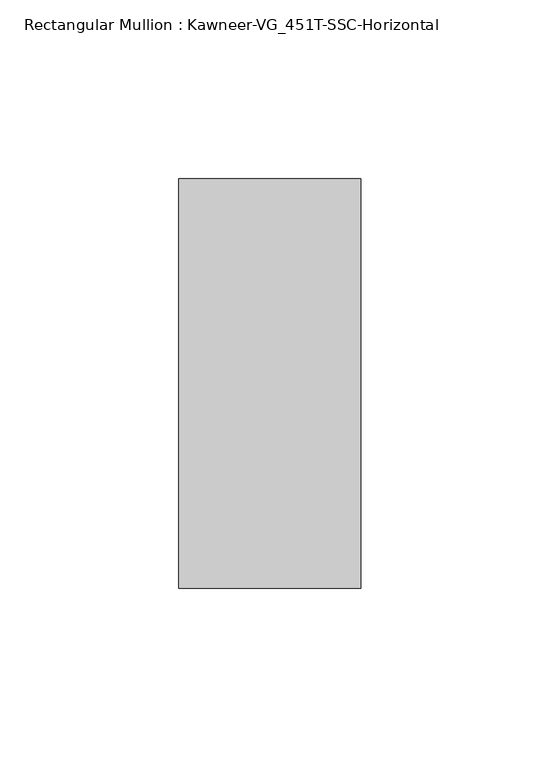
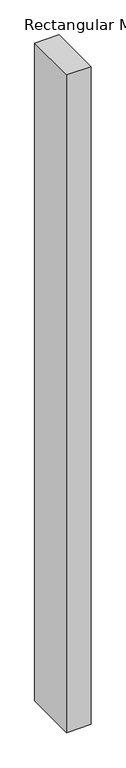
"""IFC4 building model written with IfcOpenShell, lengths in millimetres: member geometry, Rectangular Mullion : Kawneer-VG_451T-SSC-Horizontal."""

import ifcopenshell
import ifcopenshell.guid

model = None  # the IFC model being written
_history = None  # IfcOwnerHistory: only IFC2X3 demands one
_inside = {}  # id of a spatial element -> (the spatial element, [elements in it])
_under = {}  # id of a project, library or spatial element -> (it, [spatial elements below it])
_declared = {}  # id of a project -> (the project, [libraries it declares])
_typed = {}  # id of a type object -> (the type object, [elements of that type])
_made_of = {}  # id of a material, layer set ... -> (it, [elements and type objects made of it])


def new_model(schema):
    """Start an empty IFC model of exactly this schema.

    Asked for "IFC4X3", IfcOpenShell would pick the latest addendum, in which some entities
    have other attributes; the version numbers below select the first issue.
    IFC2X3 requires an IfcOwnerHistory on every rooted entity: one is made here for all.
    """
    global model, _history
    if schema == "IFC4X3":
        model = ifcopenshell.file(schema_version=(4, 3, 0, 0))
    else:
        model = ifcopenshell.file(schema=schema)
    _inside.clear()
    _under.clear()
    _declared.clear()
    _typed.clear()
    _made_of.clear()
    _history = None
    if model.schema == "IFC2X3":
        org = make("IfcOrganization", Name="unknown")
        user = make(
            "IfcPersonAndOrganization",
            ThePerson=make("IfcPerson", FamilyName="unknown"),
            TheOrganization=org,
        )
        app = make(
            "IfcApplication",
            ApplicationDeveloper=org,
            Version="unknown",
            ApplicationFullName="unknown",
            ApplicationIdentifier="unknown",
        )
        _history = make(
            "IfcOwnerHistory",
            OwningUser=user,
            OwningApplication=app,
            ChangeAction="ADDED",
            CreationDate=0,
        )
    return model


def make(cls, **values):
    """One entity of the class cls with the attributes given. An attribute that is None is left unset."""
    return model.create_entity(
        cls, **{name: value for name, value in values.items() if value is not None}
    )


def rooted(cls, **values):
    """An entity with a GlobalId (a new one), such as an element, a storey or a relation."""
    return make(cls, GlobalId=ifcopenshell.guid.new(), OwnerHistory=_history, **values)


def si_unit(unit_type, name, prefix=None):
    """IfcSIUnit, for example si_unit("LENGTHUNIT", "METRE", prefix="MILLI")."""
    return make("IfcSIUnit", UnitType=unit_type, Prefix=prefix, Name=name)


def assignment(units):
    """IfcUnitAssignment: the units of a project."""
    return None if units is None else make("IfcUnitAssignment", Units=units)


def point(xyz):
    """IfcCartesianPoint."""
    return None if xyz is None else make("IfcCartesianPoint", Coordinates=xyz)


def direction(xyz):
    """IfcDirection."""
    return None if xyz is None else make("IfcDirection", DirectionRatios=xyz)


def frame(location, z_axis=None, x_axis=None):
    """IfcAxis2Placement3D, a coordinate frame: its origin and axes. An axis left out is left unset."""
    return make(
        "IfcAxis2Placement3D",
        Location=point(location),
        Axis=direction(z_axis),
        RefDirection=direction(x_axis),
    )


def origin():
    """The frame at (0, 0, 0) with its axes left unset."""
    return frame((0.0, 0.0, 0.0))


def place(relative_to, where):
    """IfcLocalPlacement: puts the frame where relative to a parent placement (None: the world)."""
    return make(
        "IfcLocalPlacement", PlacementRelTo=relative_to, RelativePlacement=where
    )


def context(
    kind, dimensions, precision=None, world=None, true_north=None, identifier=None
):
    """IfcGeometricRepresentationContext, for example the 3D "Model" context."""
    return make(
        "IfcGeometricRepresentationContext",
        ContextIdentifier=identifier,
        ContextType=kind,
        CoordinateSpaceDimension=dimensions,
        Precision=precision,
        WorldCoordinateSystem=world,
        TrueNorth=true_north,
    )


def project(units=None, contexts=None):
    """IfcProject with its units and contexts."""
    return rooted(
        "IfcProject",
        Name="project",
        RepresentationContexts=contexts,
        UnitsInContext=assignment(units),
    )


def spatial(cls, under=None, at=None, **own):
    """A site, building, storey or space (cls), placed at a placement, below another one or the project."""
    s = rooted(cls, ObjectPlacement=at, **own)
    if under is not None:
        _under.setdefault(under.id(), (under, []))[1].append(s)
    return s


def polyline(points):
    """IfcPolyline through the points."""
    return make("IfcPolyline", Points=[point(p) for p in points])


def outline(outer, holes=None, kind="AREA"):
    """IfcArbitraryClosedProfileDef: a profile drawn as a closed curve; with holes, ...WithVoids."""
    if holes is None:
        return make("IfcArbitraryClosedProfileDef", ProfileType=kind, OuterCurve=outer)
    return make(
        "IfcArbitraryProfileDefWithVoids",
        ProfileType=kind,
        OuterCurve=outer,
        InnerCurves=holes,
    )


def extrude(swept, where, along, depth):
    """IfcExtrudedAreaSolid: the profile swept, set in the frame where, extruded along a direction by depth."""
    return make(
        "IfcExtrudedAreaSolid",
        SweptArea=swept,
        Position=where,
        ExtrudedDirection=direction(along),
        Depth=depth,
    )


def shape(context_of_items, identifier, shape_type, items):
    """IfcShapeRepresentation: the items that make up one representation, for example the "Body"."""
    return make(
        "IfcShapeRepresentation",
        ContextOfItems=context_of_items,
        RepresentationIdentifier=identifier,
        RepresentationType=shape_type,
        Items=items,
    )


def source(mapping_origin, context_of_items, identifier, shape_type, items):
    """IfcRepresentationMap: a shape defined once, which mapped items show again and again."""
    return make(
        "IfcRepresentationMap",
        MappingOrigin=mapping_origin,
        MappedRepresentation=shape(context_of_items, identifier, shape_type, items),
    )


def transform(
    local_origin,
    x_axis=None,
    y_axis=None,
    z_axis=None,
    scale=None,
    scale2=None,
    scale3=None,
    uniform=True,
):
    """IfcCartesianTransformationOperator3D, or its non-uniform kind. x_axis, y_axis, z_axis: its Axis1, 2, 3."""
    if uniform:
        return make(
            "IfcCartesianTransformationOperator3D",
            Axis1=direction(x_axis),
            Axis2=direction(y_axis),
            LocalOrigin=point(local_origin),
            Scale=scale,
            Axis3=direction(z_axis),
        )
    return make(
        "IfcCartesianTransformationOperator3DnonUniform",
        Axis1=direction(x_axis),
        Axis2=direction(y_axis),
        LocalOrigin=point(local_origin),
        Scale=scale,
        Axis3=direction(z_axis),
        Scale2=scale2,
        Scale3=scale3,
    )


def mapped(mapping_source, mapping_target):
    """IfcMappedItem: shows the shape of a source again, moved by a transform."""
    return make(
        "IfcMappedItem", MappingSource=mapping_source, MappingTarget=mapping_target
    )


def made_of(thing, what):
    """Note that an element or type object is made of a material, layer set ...; save() writes the relation."""
    if what is not None:
        _made_of.setdefault(what.id(), (what, []))[1].append(thing)
    return thing


def element(
    cls,
    number,
    at=None,
    inside=None,
    cuts=None,
    type_object=None,
    material=None,
    context=None,
    identifier="Body",
    shape_type=None,
    held_by="IfcProductDefinitionShape",
    body=None,
    shapes=None,
    **own,
):
    """One element of the class cls, such as IfcWall. Its Tag is "e" and its number.

    at: its placement. inside: the storey or other place that contains it. cuts: it is an
    opening in that element (IfcRelVoidsElement). A single representation is given by context,
    identifier, shape_type and body (its items); several are given by shapes. held_by: the class
    of the entity that holds the representations. save() writes the other relations.
    """
    e = rooted(cls, Tag="e%d" % number, ObjectPlacement=at, **own)
    if body is not None:
        shapes = [shape(context, identifier, shape_type, body)]
    if shapes is not None:
        e.Representation = make(held_by, Representations=shapes)
    if inside is not None:
        _inside.setdefault(inside.id(), (inside, []))[1].append(e)
    if cuts is not None:
        rooted(
            "IfcRelVoidsElement", RelatingBuildingElement=cuts, RelatedOpeningElement=e
        )
    if type_object is not None:
        _typed.setdefault(type_object.id(), (type_object, []))[1].append(e)
    return made_of(e, material)


def aggregate(whole, parts):
    """IfcRelAggregates: a whole, such as a stair, and the parts it consists of."""
    return rooted("IfcRelAggregates", RelatingObject=whole, RelatedObjects=parts)


def save(model, path):
    """Write the relations noted so far, then the file.

    IfcRelAggregates (storeys below a building ...), IfcRelContainedInSpatialStructure (elements
    in a storey), IfcRelDefinesByType, IfcRelAssociatesMaterial and IfcRelDeclares: one each for
    every whole, place, type object, material and project.
    """
    for whole, parts in _under.values():
        aggregate(whole, parts)
    for where, things in _inside.values():
        rooted(
            "IfcRelContainedInSpatialStructure",
            RelatedElements=things,
            RelatingStructure=where,
        )
    for kind, things in _typed.values():
        rooted("IfcRelDefinesByType", RelatedObjects=things, RelatingType=kind)
    for what, things in _made_of.values():
        rooted("IfcRelAssociatesMaterial", RelatedObjects=things, RelatingMaterial=what)
    for by, libraries in _declared.values():
        rooted("IfcRelDeclares", RelatingContext=by, RelatedDefinitions=libraries)
    model.write(path)


def rectangular_mullion_kawneer_vg_451t_ssc_horizontal_7eaaeb3d(model_context):
    return source(origin(), model_context, "Body", "SweptSolid", [
        extrude(outline(polyline([(25.4, 57.15), (25.4, -57.15), (-25.4, -57.15), (-25.4, 57.15), (25.4, 57.15)])), frame((0.0, 0.0, -1441.45), z_axis=(0.0, 0.0, 1.0), x_axis=(1.0, 0.0, 0.0)), (0.0, 0.0, 1.0), 1441.45),
    ])


if __name__ == "__main__":
    model = new_model("IFC4")
    model_context = context("Model", 3, world=origin())
    ifc_project = project(units=[si_unit("LENGTHUNIT", "METRE", prefix="MILLI")], contexts=[model_context])
    site = spatial("IfcSite", under=ifc_project)
    building = spatial("IfcBuilding", under=site)
    placement = place(None, origin())
    rectangular_mullion_kawneer_vg_451t_ssc_horizontal_shape = rectangular_mullion_kawneer_vg_451t_ssc_horizontal_7eaaeb3d(model_context)
    element("IfcMember", 1, ObjectType="Rectangular Mullion : Kawneer-VG_451T-SSC-Horizontal", at=placement, inside=building, context=model_context, shape_type="MappedRepresentation", body=[
        mapped(rectangular_mullion_kawneer_vg_451t_ssc_horizontal_shape, transform((0.0, 0.0, 0.0), x_axis=(1.0, 0.0, 0.0), y_axis=(0.0, 1.0, 0.0), z_axis=(0.0, 0.0, 1.0))),
    ])
    save(model, "model.ifc")
